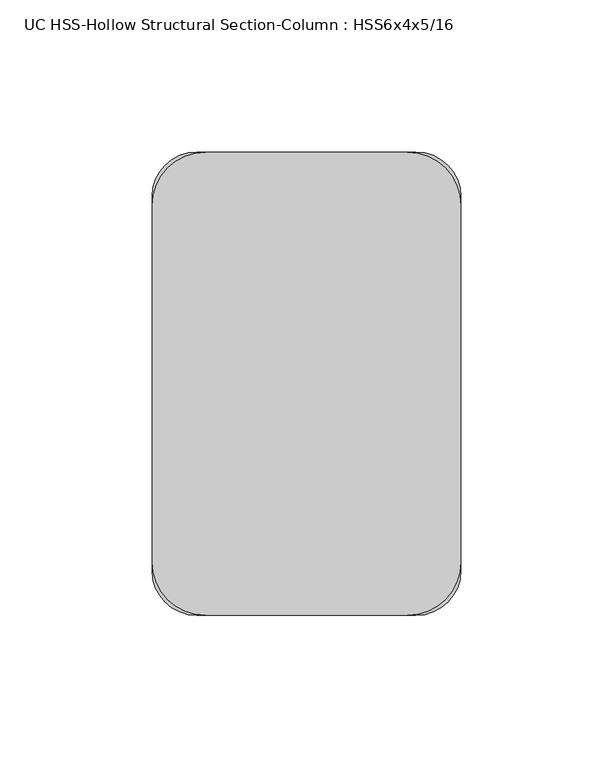
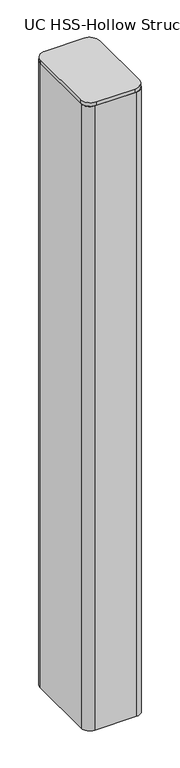
"""IFC4 building model written with IfcOpenShell, lengths in millimetres: column geometry, UC HSS-Hollow Structural Section-Column : HSS6x4x5/16."""

import ifcopenshell
import ifcopenshell.guid

model = None  # the IFC model being written
_history = None  # IfcOwnerHistory: only IFC2X3 demands one
_inside = {}  # id of a spatial element -> (the spatial element, [elements in it])
_under = {}  # id of a project, library or spatial element -> (it, [spatial elements below it])
_declared = {}  # id of a project -> (the project, [libraries it declares])
_typed = {}  # id of a type object -> (the type object, [elements of that type])
_made_of = {}  # id of a material, layer set ... -> (it, [elements and type objects made of it])


def new_model(schema):
    """Start an empty IFC model of exactly this schema.

    Asked for "IFC4X3", IfcOpenShell would pick the latest addendum, in which some entities
    have other attributes; the version numbers below select the first issue.
    IFC2X3 requires an IfcOwnerHistory on every rooted entity: one is made here for all.
    """
    global model, _history
    if schema == "IFC4X3":
        model = ifcopenshell.file(schema_version=(4, 3, 0, 0))
    else:
        model = ifcopenshell.file(schema=schema)
    _inside.clear()
    _under.clear()
    _declared.clear()
    _typed.clear()
    _made_of.clear()
    _history = None
    if model.schema == "IFC2X3":
        org = make("IfcOrganization", Name="unknown")
        user = make(
            "IfcPersonAndOrganization",
            ThePerson=make("IfcPerson", FamilyName="unknown"),
            TheOrganization=org,
        )
        app = make(
            "IfcApplication",
            ApplicationDeveloper=org,
            Version="unknown",
            ApplicationFullName="unknown",
            ApplicationIdentifier="unknown",
        )
        _history = make(
            "IfcOwnerHistory",
            OwningUser=user,
            OwningApplication=app,
            ChangeAction="ADDED",
            CreationDate=0,
        )
    return model


def make(cls, **values):
    """One entity of the class cls with the attributes given. An attribute that is None is left unset."""
    return model.create_entity(
        cls, **{name: value for name, value in values.items() if value is not None}
    )


def rooted(cls, **values):
    """An entity with a GlobalId (a new one), such as an element, a storey or a relation."""
    return make(cls, GlobalId=ifcopenshell.guid.new(), OwnerHistory=_history, **values)


def si_unit(unit_type, name, prefix=None):
    """IfcSIUnit, for example si_unit("LENGTHUNIT", "METRE", prefix="MILLI")."""
    return make("IfcSIUnit", UnitType=unit_type, Prefix=prefix, Name=name)


def assignment(units):
    """IfcUnitAssignment: the units of a project."""
    return None if units is None else make("IfcUnitAssignment", Units=units)


def point(xyz):
    """IfcCartesianPoint."""
    return None if xyz is None else make("IfcCartesianPoint", Coordinates=xyz)


def direction(xyz):
    """IfcDirection."""
    return None if xyz is None else make("IfcDirection", DirectionRatios=xyz)


def frame(location, z_axis=None, x_axis=None):
    """IfcAxis2Placement3D, a coordinate frame: its origin and axes. An axis left out is left unset."""
    return make(
        "IfcAxis2Placement3D",
        Location=point(location),
        Axis=direction(z_axis),
        RefDirection=direction(x_axis),
    )


def frame_2d(location, x_axis=None):
    """IfcAxis2Placement2D, a coordinate frame in the plane: its origin and x axis."""
    return make(
        "IfcAxis2Placement2D", Location=point(location), RefDirection=direction(x_axis)
    )


def origin():
    """The frame at (0, 0, 0) with its axes left unset."""
    return frame((0.0, 0.0, 0.0))


def place(relative_to, where):
    """IfcLocalPlacement: puts the frame where relative to a parent placement (None: the world)."""
    return make(
        "IfcLocalPlacement", PlacementRelTo=relative_to, RelativePlacement=where
    )


def context(
    kind, dimensions, precision=None, world=None, true_north=None, identifier=None
):
    """IfcGeometricRepresentationContext, for example the 3D "Model" context."""
    return make(
        "IfcGeometricRepresentationContext",
        ContextIdentifier=identifier,
        ContextType=kind,
        CoordinateSpaceDimension=dimensions,
        Precision=precision,
        WorldCoordinateSystem=world,
        TrueNorth=true_north,
    )


def project(units=None, contexts=None):
    """IfcProject with its units and contexts."""
    return rooted(
        "IfcProject",
        Name="project",
        RepresentationContexts=contexts,
        UnitsInContext=assignment(units),
    )


def spatial(cls, under=None, at=None, **own):
    """A site, building, storey or space (cls), placed at a placement, below another one or the project."""
    s = rooted(cls, ObjectPlacement=at, **own)
    if under is not None:
        _under.setdefault(under.id(), (under, []))[1].append(s)
    return s


def polyline(points):
    """IfcPolyline through the points."""
    return make("IfcPolyline", Points=[point(p) for p in points])


def circle_curve(where, radius):
    """IfcCircle in the frame where."""
    return make("IfcCircle", Position=where, Radius=radius)


def trimmed(basis, trim1, trim2, sense, master):
    """IfcTrimmedCurve: the piece of a basis curve between two trims."""
    return make(
        "IfcTrimmedCurve",
        BasisCurve=basis,
        Trim1=trim1,
        Trim2=trim2,
        SenseAgreement=sense,
        MasterRepresentation=master,
    )


def segment(curve, same_sense, transition):
    """IfcCompositeCurveSegment."""
    return make(
        "IfcCompositeCurveSegment",
        Transition=transition,
        SameSense=same_sense,
        ParentCurve=curve,
    )


def composite_curve(segments, self_intersect=None):
    """IfcCompositeCurve: segments joined end to end."""
    return make("IfcCompositeCurve", Segments=segments, SelfIntersect=self_intersect)


def outline(outer, holes=None, kind="AREA"):
    """IfcArbitraryClosedProfileDef: a profile drawn as a closed curve; with holes, ...WithVoids."""
    if holes is None:
        return make("IfcArbitraryClosedProfileDef", ProfileType=kind, OuterCurve=outer)
    return make(
        "IfcArbitraryProfileDefWithVoids",
        ProfileType=kind,
        OuterCurve=outer,
        InnerCurves=holes,
    )


def extrude(swept, where, along, depth):
    """IfcExtrudedAreaSolid: the profile swept, set in the frame where, extruded along a direction by depth."""
    return make(
        "IfcExtrudedAreaSolid",
        SweptArea=swept,
        Position=where,
        ExtrudedDirection=direction(along),
        Depth=depth,
    )


def shape(context_of_items, identifier, shape_type, items):
    """IfcShapeRepresentation: the items that make up one representation, for example the "Body"."""
    return make(
        "IfcShapeRepresentation",
        ContextOfItems=context_of_items,
        RepresentationIdentifier=identifier,
        RepresentationType=shape_type,
        Items=items,
    )


def source(mapping_origin, context_of_items, identifier, shape_type, items):
    """IfcRepresentationMap: a shape defined once, which mapped items show again and again."""
    return make(
        "IfcRepresentationMap",
        MappingOrigin=mapping_origin,
        MappedRepresentation=shape(context_of_items, identifier, shape_type, items),
    )


def transform(
    local_origin,
    x_axis=None,
    y_axis=None,
    z_axis=None,
    scale=None,
    scale2=None,
    scale3=None,
    uniform=True,
):
    """IfcCartesianTransformationOperator3D, or its non-uniform kind. x_axis, y_axis, z_axis: its Axis1, 2, 3."""
    if uniform:
        return make(
            "IfcCartesianTransformationOperator3D",
            Axis1=direction(x_axis),
            Axis2=direction(y_axis),
            LocalOrigin=point(local_origin),
            Scale=scale,
            Axis3=direction(z_axis),
        )
    return make(
        "IfcCartesianTransformationOperator3DnonUniform",
        Axis1=direction(x_axis),
        Axis2=direction(y_axis),
        LocalOrigin=point(local_origin),
        Scale=scale,
        Axis3=direction(z_axis),
        Scale2=scale2,
        Scale3=scale3,
    )


def mapped(mapping_source, mapping_target):
    """IfcMappedItem: shows the shape of a source again, moved by a transform."""
    return make(
        "IfcMappedItem", MappingSource=mapping_source, MappingTarget=mapping_target
    )


def made_of(thing, what):
    """Note that an element or type object is made of a material, layer set ...; save() writes the relation."""
    if what is not None:
        _made_of.setdefault(what.id(), (what, []))[1].append(thing)
    return thing


def element(
    cls,
    number,
    at=None,
    inside=None,
    cuts=None,
    type_object=None,
    material=None,
    context=None,
    identifier="Body",
    shape_type=None,
    held_by="IfcProductDefinitionShape",
    body=None,
    shapes=None,
    **own,
):
    """One element of the class cls, such as IfcWall. Its Tag is "e" and its number.

    at: its placement. inside: the storey or other place that contains it. cuts: it is an
    opening in that element (IfcRelVoidsElement). A single representation is given by context,
    identifier, shape_type and body (its items); several are given by shapes. held_by: the class
    of the entity that holds the representations. save() writes the other relations.
    """
    e = rooted(cls, Tag="e%d" % number, ObjectPlacement=at, **own)
    if body is not None:
        shapes = [shape(context, identifier, shape_type, body)]
    if shapes is not None:
        e.Representation = make(held_by, Representations=shapes)
    if inside is not None:
        _inside.setdefault(inside.id(), (inside, []))[1].append(e)
    if cuts is not None:
        rooted(
            "IfcRelVoidsElement", RelatingBuildingElement=cuts, RelatedOpeningElement=e
        )
    if type_object is not None:
        _typed.setdefault(type_object.id(), (type_object, []))[1].append(e)
    return made_of(e, material)


def aggregate(whole, parts):
    """IfcRelAggregates: a whole, such as a stair, and the parts it consists of."""
    return rooted("IfcRelAggregates", RelatingObject=whole, RelatedObjects=parts)


def save(model, path):
    """Write the relations noted so far, then the file.

    IfcRelAggregates (storeys below a building ...), IfcRelContainedInSpatialStructure (elements
    in a storey), IfcRelDefinesByType, IfcRelAssociatesMaterial and IfcRelDeclares: one each for
    every whole, place, type object, material and project.
    """
    for whole, parts in _under.values():
        aggregate(whole, parts)
    for where, things in _inside.values():
        rooted(
            "IfcRelContainedInSpatialStructure",
            RelatedElements=things,
            RelatingStructure=where,
        )
    for kind, things in _typed.values():
        rooted("IfcRelDefinesByType", RelatedObjects=things, RelatingType=kind)
    for what, things in _made_of.values():
        rooted("IfcRelAssociatesMaterial", RelatedObjects=things, RelatingMaterial=what)
    for by, libraries in _declared.values():
        rooted("IfcRelDeclares", RelatingContext=by, RelatedDefinitions=libraries)
    model.write(path)


def uc_hss_hollow_structural_section_column_hss6x4x5_16_2cd3a8cd(model_context):
    return source(origin(), model_context, "Body", "SweptSolid", [
        extrude(outline(composite_curve([segment(trimmed(circle_curve(frame_2d((-33.1390625, 58.5390625)), 17.6609375), [point((-50.8, 58.5390625))], [point((-33.1390625, 76.2))], False, "CARTESIAN"), True, "CONTINUOUS"), segment(polyline([(-33.1390625, 76.2), (33.1390625, 76.2)]), True, "CONTINUOUS"), segment(trimmed(circle_curve(frame_2d((33.1390625, 58.5390625)), 17.6609375), [point((33.1390625, 76.2))], [point((50.8, 58.5390625))], False, "CARTESIAN"), True, "CONTINUOUS"), segment(polyline([(50.8, 58.5390625), (50.8, -58.5390625)]), True, "CONTINUOUS"), segment(trimmed(circle_curve(frame_2d((33.1390625, -58.5390625)), 17.6609375), [point((50.8, -58.5390625))], [point((33.1390625, -76.2))], False, "CARTESIAN"), True, "CONTINUOUS"), segment(polyline([(33.1390625, -76.2), (-33.1390625, -76.2)]), True, "CONTINUOUS"), segment(trimmed(circle_curve(frame_2d((-33.1390625, -58.5390625)), 17.6609375), [point((-33.1390625, -76.2))], [point((-50.8, -58.5390625))], False, "CARTESIAN"), True, "CONTINUOUS"), segment(polyline([(-50.8, -58.5390625), (-50.8, 58.5390625)]), True, "CONTINUOUS")], self_intersect=False)), frame((0.0, 0.0, 7639.05), z_axis=(0.0, 0.0, 1.0), x_axis=(1.0, 0.0, 0.0)), (0.0, 0.0, 1.0), 6.35),
        extrude(outline(composite_curve([segment(trimmed(circle_curve(frame_2d((36.0172, 61.4172)), 14.7828), [point((36.0172, 76.2))], [point((50.8, 61.4172))], False, "CARTESIAN"), True, "CONTINUOUS"), segment(polyline([(50.8, 61.4172), (50.8, -61.4172)]), True, "CONTINUOUS"), segment(trimmed(circle_curve(frame_2d((36.0172, -61.4172)), 14.7828), [point((50.8, -61.4172))], [point((36.0172, -76.2))], False, "CARTESIAN"), True, "CONTINUOUS"), segment(polyline([(36.0172, -76.2), (-36.0172, -76.2)]), True, "CONTINUOUS"), segment(trimmed(circle_curve(frame_2d((-36.0172, -61.4172)), 14.7828), [point((-36.0172, -76.2))], [point((-50.8, -61.4172))], False, "CARTESIAN"), True, "CONTINUOUS"), segment(polyline([(-50.8, -61.4172), (-50.8, 61.4172)]), True, "CONTINUOUS"), segment(trimmed(circle_curve(frame_2d((-36.0172, 61.4172)), 14.7828), [point((-50.8, 61.4172))], [point((-36.0172, 76.2))], False, "CARTESIAN"), True, "CONTINUOUS"), segment(polyline([(-36.0172, 76.2), (36.0172, 76.2)]), True, "CONTINUOUS")], self_intersect=False), holes=[composite_curve([segment(polyline([(36.0172, 68.8086), (-36.0172, 68.8086)]), True, "CONTINUOUS"), segment(trimmed(circle_curve(frame_2d((-36.0172, 61.4172)), 7.3914), [point((-36.0172, 68.8086))], [point((-43.4086, 61.4172))], True, "CARTESIAN"), True, "CONTINUOUS"), segment(polyline([(-43.4086, 61.4172), (-43.4086, -61.4172)]), True, "CONTINUOUS"), segment(trimmed(circle_curve(frame_2d((-36.0172, -61.4172)), 7.3914), [point((-43.4086, -61.4172))], [point((-36.0172, -68.8086))], True, "CARTESIAN"), True, "CONTINUOUS"), segment(polyline([(-36.0172, -68.8086), (36.0172, -68.8086)]), True, "CONTINUOUS"), segment(trimmed(circle_curve(frame_2d((36.0172, -61.4172)), 7.3914), [point((36.0172, -68.8086))], [point((43.4086, -61.4172))], True, "CARTESIAN"), True, "CONTINUOUS"), segment(polyline([(43.4086, -61.4172), (43.4086, 61.4172)]), True, "CONTINUOUS"), segment(trimmed(circle_curve(frame_2d((36.0172, 61.4172)), 7.3914), [point((43.4086, 61.4172))], [point((36.0172, 68.8086))], True, "CARTESIAN"), True, "CONTINUOUS")], self_intersect=False)]), frame((0.0, 0.0, 6502.4), z_axis=(0.0, 0.0, 1.0), x_axis=(1.0, 0.0, 0.0)), (0.0, 0.0, 1.0), 1136.65),
    ])


if __name__ == "__main__":
    model = new_model("IFC4")
    model_context = context("Model", 3, world=origin())
    ifc_project = project(units=[si_unit("LENGTHUNIT", "METRE", prefix="MILLI")], contexts=[model_context])
    site = spatial("IfcSite", under=ifc_project)
    building = spatial("IfcBuilding", under=site)
    placement = place(None, origin())
    uc_hss_hollow_structural_section_column_hss6x4x5_16_shape = uc_hss_hollow_structural_section_column_hss6x4x5_16_2cd3a8cd(model_context)
    element("IfcColumn", 1, ObjectType="UC HSS-Hollow Structural Section-Column : HSS6x4x5/16", at=placement, inside=building, context=model_context, shape_type="MappedRepresentation", body=[
        mapped(uc_hss_hollow_structural_section_column_hss6x4x5_16_shape, transform((0.0, 0.0, 0.0), x_axis=(1.0, 0.0, 0.0), y_axis=(0.0, 1.0, 0.0), z_axis=(0.0, 0.0, 1.0))),
    ])
    save(model, "model.ifc")
